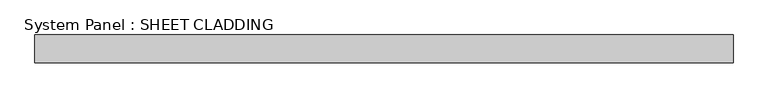
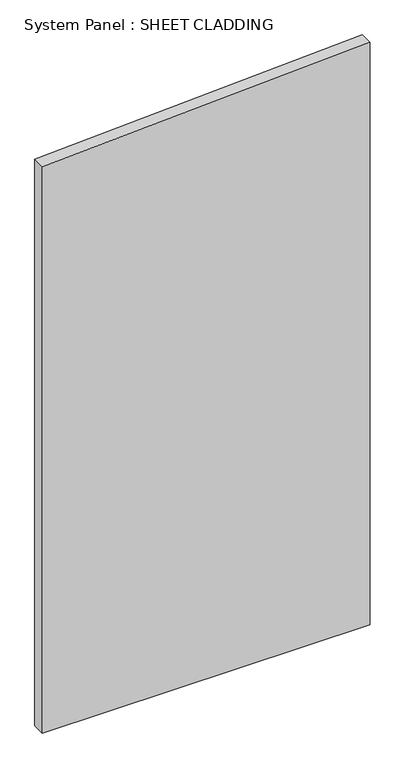
"""IFC4 building model written with IfcOpenShell, lengths in millimetres: plate geometry, System Panel : SHEET CLADDING."""

from ifc_helpers import new_model, si_unit, frame, origin, place, context, project, spatial, polyline, outline, extrude, source, transform, mapped, element, save


def system_panel_sheet_cladding_5dbbf2be(model_context):
    return source(origin(), model_context, "Body", "SweptSolid", [
        extrude(outline(polyline([(0.0, -750.0), (0.0, 750.0), (2815.0, 750.0), (2740.0, -750.0), (0.0, -750.0)])), frame((0.0, -10.5, 0.0), z_axis=(0.0, 1.0, 0.0), x_axis=(0.0, 0.0, 1.0)), (0.0, 0.0, 1.0), 60.0),
    ])


if __name__ == "__main__":
    model = new_model("IFC4")
    model_context = context("Model", 3, world=origin())
    ifc_project = project(units=[si_unit("LENGTHUNIT", "METRE", prefix="MILLI")], contexts=[model_context])
    site = spatial("IfcSite", under=ifc_project)
    building = spatial("IfcBuilding", under=site)
    placement = place(None, origin())
    system_panel_sheet_cladding_shape = system_panel_sheet_cladding_5dbbf2be(model_context)
    element("IfcPlate", 1, ObjectType="System Panel : SHEET CLADDING", at=placement, inside=building, context=model_context, shape_type="MappedRepresentation", body=[
        mapped(system_panel_sheet_cladding_shape, transform((0.0, 0.0, 0.0), x_axis=(1.0, 0.0, 0.0), y_axis=(0.0, 1.0, 0.0), z_axis=(0.0, 0.0, 1.0))),
    ])
    save(model, "model.ifc")
